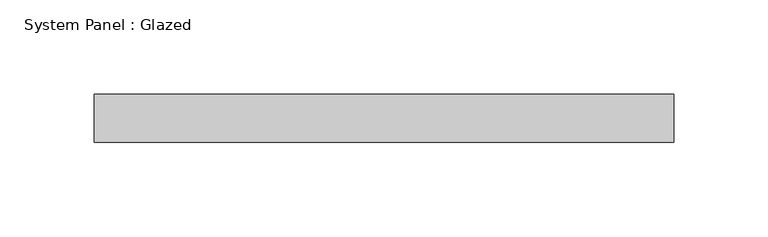
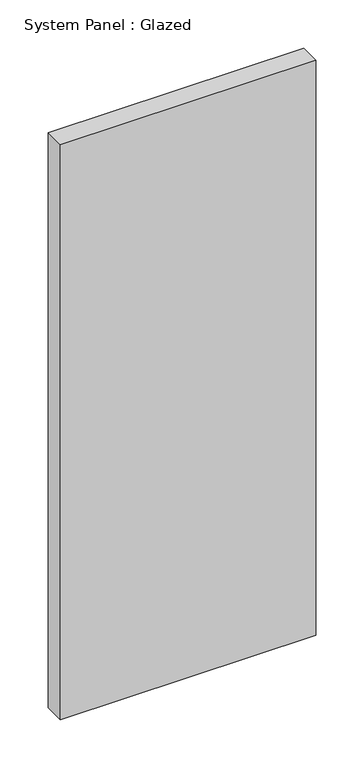
"""IFC4 building model written with IfcOpenShell, lengths in millimetres: plate geometry, System Panel : Glazed."""

from ifc_helpers import new_model, si_unit, origin, origin_with_axes, place, context, project, spatial, polyline, outline, extrude, source, transform, mapped, element, save


def system_panel_glazed_82fafc99(model_context):
    return source(origin(), model_context, "Body", "SweptSolid", [
        extrude(outline(polyline([(153.4583333, -12.7), (-153.4583333, -12.7), (-153.4583333, 12.7), (153.4583333, 12.7), (153.4583333, -12.7)])), origin_with_axes(), (0.0, 0.0, 1.0), 730.25),
    ])


if __name__ == "__main__":
    model = new_model("IFC4")
    model_context = context("Model", 3, world=origin())
    ifc_project = project(units=[si_unit("LENGTHUNIT", "METRE", prefix="MILLI")], contexts=[model_context])
    site = spatial("IfcSite", under=ifc_project)
    building = spatial("IfcBuilding", under=site)
    placement = place(None, origin())
    system_panel_glazed_shape = system_panel_glazed_82fafc99(model_context)
    element("IfcPlate", 1, ObjectType="System Panel : Glazed", at=placement, inside=building, context=model_context, shape_type="MappedRepresentation", body=[
        mapped(system_panel_glazed_shape, transform((0.0, 0.0, 0.0), x_axis=(1.0, 0.0, 0.0), y_axis=(0.0, 1.0, 0.0), z_axis=(0.0, 0.0, 1.0))),
    ])
    save(model, "model.ifc")
